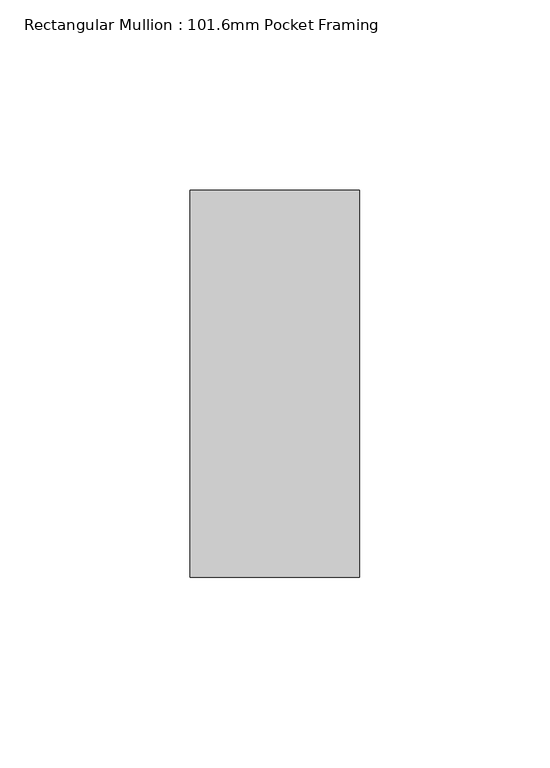
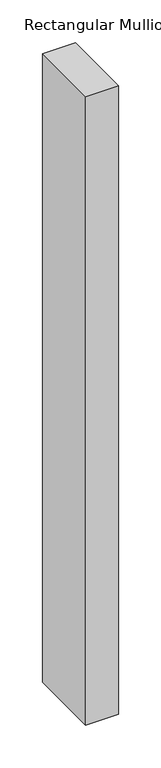
"""IFC4 building model written with IfcOpenShell, lengths in millimetres: member geometry, Rectangular Mullion : 101.6mm Pocket Framing."""

from ifc_helpers import new_model, si_unit, frame, origin, place, context, project, spatial, polyline, outline, extrude, source, transform, mapped, element, save


def rectangular_mullion_101_6mm_pocket_framing_e3ed427b(model_context):
    return source(origin(), model_context, "Body", "SweptSolid", [
        extrude(outline(polyline([(0.0, 50.8), (0.0, -50.8), (-44.5, -50.8), (-44.5, 50.8), (0.0, 50.8)])), frame((0.0, 0.0, -900.0), z_axis=(0.0, 0.0, 1.0), x_axis=(1.0, 0.0, 0.0)), (0.0, 0.0, 1.0), 900.0),
    ])


if __name__ == "__main__":
    model = new_model("IFC4")
    model_context = context("Model", 3, world=origin())
    ifc_project = project(units=[si_unit("LENGTHUNIT", "METRE", prefix="MILLI")], contexts=[model_context])
    site = spatial("IfcSite", under=ifc_project)
    building = spatial("IfcBuilding", under=site)
    placement = place(None, origin())
    rectangular_mullion_101_6mm_pocket_framing_shape = rectangular_mullion_101_6mm_pocket_framing_e3ed427b(model_context)
    element("IfcMember", 1, ObjectType="Rectangular Mullion : 101.6mm Pocket Framing", at=placement, inside=building, context=model_context, shape_type="MappedRepresentation", body=[
        mapped(rectangular_mullion_101_6mm_pocket_framing_shape, transform((0.0, 0.0, 0.0), x_axis=(1.0, 0.0, 0.0), y_axis=(0.0, 1.0, 0.0), z_axis=(0.0, 0.0, 1.0))),
    ])
    save(model, "model.ifc")
